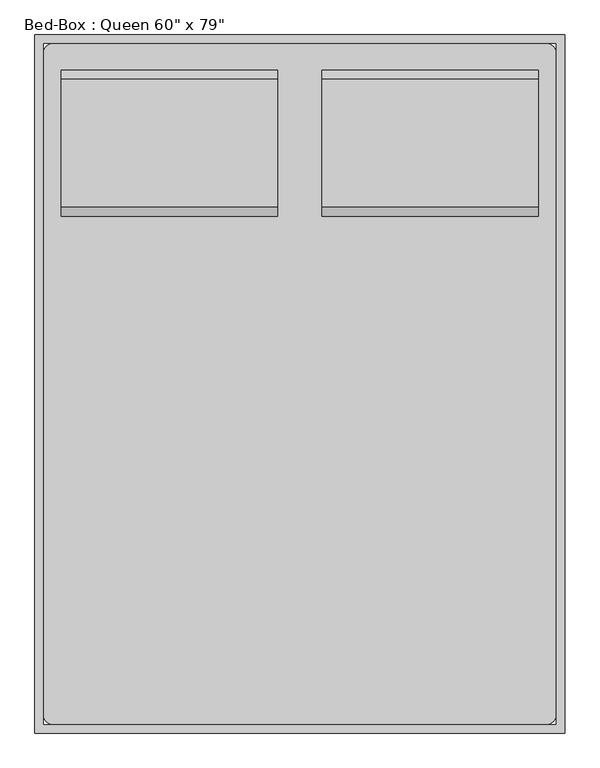
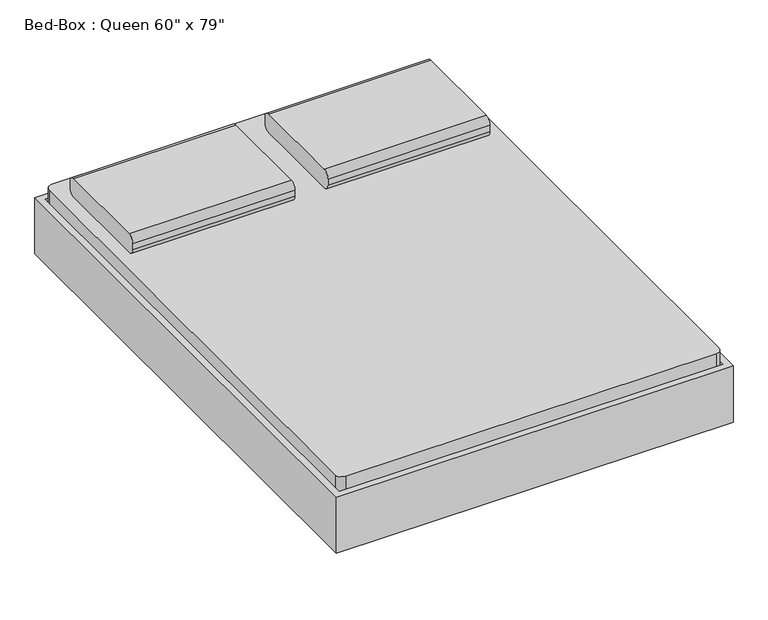
"""IFC4 building model written with IfcOpenShell, lengths in millimetres: furniture geometry."""

from ifc_helpers import new_model, si_unit, point, frame, frame_2d, origin, place, context, project, spatial, polyline, circle_curve, trimmed, segment, composite_curve, outline, extrude, source, transform, mapped, element, save
from ifc_brep_helpers import plane_surface, cylinder_surface, revolved_surface, advanced_brep


def furniture_1d2926bd(model_context):
    return source(origin(), model_context, "Body", "SolidModel", [
        extrude(outline(composite_curve([segment(polyline([(641.8704918, 406.4), (273.5704918, 406.4)]), True, "CONTINUOUS"), segment(trimmed(circle_curve(frame_2d((273.5704918, 431.8)), 25.4), [point((273.5704918, 406.4))], [point((248.1704918, 431.8))], False, "CARTESIAN"), True, "CONTINUOUS"), segment(polyline([(248.1704918, 431.8), (248.1704918, 457.2)]), True, "CONTINUOUS"), segment(trimmed(circle_curve(frame_2d((273.5704918, 457.2)), 25.4), [point((248.1704918, 457.2))], [point((273.5704918, 482.6))], False, "CARTESIAN"), True, "CONTINUOUS"), segment(polyline([(273.5704918, 482.6), (641.8704918, 482.6)]), True, "CONTINUOUS"), segment(trimmed(circle_curve(frame_2d((641.8704918, 457.2)), 25.4), [point((641.8704918, 482.6))], [point((667.2704918, 457.2))], False, "CARTESIAN"), True, "CONTINUOUS"), segment(polyline([(667.2704918, 457.2), (667.2704918, 431.8)]), True, "CONTINUOUS"), segment(trimmed(circle_curve(frame_2d((641.8704918, 431.8)), 25.4), [point((667.2704918, 431.8))], [point((641.8704918, 406.4))], False, "CARTESIAN"), True, "CONTINUOUS")], self_intersect=False)), frame((402.652459, 0.0, 0.0), z_axis=(1.0, 0.0, 0.0), x_axis=(0.0, 1.0, 0.0)), (0.0, 0.0, 1.0), 622.3),
        extrude(outline(composite_curve([segment(polyline([(641.8704918, 406.4), (273.5704918, 406.4)]), True, "CONTINUOUS"), segment(trimmed(circle_curve(frame_2d((273.5704918, 431.8)), 25.4), [point((273.5704918, 406.4))], [point((248.1704918, 431.8))], False, "CARTESIAN"), True, "CONTINUOUS"), segment(polyline([(248.1704918, 431.8), (248.1704918, 457.2)]), True, "CONTINUOUS"), segment(trimmed(circle_curve(frame_2d((273.5704918, 457.2)), 25.4), [point((248.1704918, 457.2))], [point((273.5704918, 482.6))], False, "CARTESIAN"), True, "CONTINUOUS"), segment(polyline([(273.5704918, 482.6), (641.8704918, 482.6)]), True, "CONTINUOUS"), segment(trimmed(circle_curve(frame_2d((641.8704918, 457.2)), 25.4), [point((641.8704918, 482.6))], [point((667.2704918, 457.2))], False, "CARTESIAN"), True, "CONTINUOUS"), segment(polyline([(667.2704918, 457.2), (667.2704918, 431.8)]), True, "CONTINUOUS"), segment(trimmed(circle_curve(frame_2d((641.8704918, 431.8)), 25.4), [point((667.2704918, 431.8))], [point((641.8704918, 406.4))], False, "CARTESIAN"), True, "CONTINUOUS")], self_intersect=False)), frame((-346.647541, 0.0, 0.0), z_axis=(1.0, 0.0, 0.0), x_axis=(0.0, 1.0, 0.0)), (0.0, 0.0, 1.0), 622.3),
        advanced_brep(
        [(-397.1231784, 514.8704918, 177.8), (-397.1231784, 438.6704918, 177.8), (-397.1231784, 438.6704918, 196.85), (-397.1231784, 514.8704918, 196.85), (-346.3231784, 514.8704918, 177.8), (-346.3231784, 438.6704918, 177.8), (-334.1869899, 438.6704918, 196.85), (-334.1869899, 514.8704918, 196.85), (-270.2523099, 514.8704918, 14.6654962), (-270.2523099, 438.6704918, 14.6654962), (-252.9871466, 438.6704918, 22.716374), (-252.9871466, 514.8704918, 22.716374), (-247.2320921, 438.6704918, 0.0), (-247.2320921, 514.8704918, 0.0), (-247.2320921, 438.6704918, 19.05), (-247.2320921, 514.8704918, 19.05), (-168.6195862, 514.8704918, 0.0), (-168.6195862, 438.6704918, 0.0), (-168.6195862, 438.6704918, 19.05), (-168.6195862, 514.8704918, 19.05), (-155.9195862, 438.6704918, 3.4029547), (-155.9195862, 514.8704918, 3.4029547), (-165.4445862, 438.6704918, 19.9007387), (-165.4445862, 514.8704918, 19.9007387), (-95.822541, 514.8704918, 38.1), (-95.822541, 438.6704918, 38.1), (-100.9269731, 438.6704918, 57.15), (-100.9269731, 514.8704918, 57.15), (774.4518216, 514.8704918, 38.1), (774.4518216, 438.6704918, 38.1), (779.5562537, 438.6704918, 57.15), (779.5562537, 514.8704918, 57.15), (834.5488669, 514.8704918, 3.4029547), (834.5488669, 438.6704918, 3.4029547), (844.0738669, 438.6704918, 19.9007387), (844.0738669, 514.8704918, 19.9007387), (847.2488669, 438.6704918, 0.0), (847.2488669, 514.8704918, 0.0), (847.2488669, 438.6704918, 19.05), (847.2488669, 514.8704918, 19.05), (925.8613728, 514.8704918, 0.0), (925.8613728, 438.6704918, 0.0), (925.8613728, 438.6704918, 19.05), (925.8613728, 514.8704918, 19.05), (948.8815906, 438.6704918, 14.6654962), (948.8815906, 514.8704918, 14.6654962), (931.6164272, 438.6704918, 22.716374), (931.6164272, 514.8704918, 22.716374), (1024.952459, 514.8704918, 177.8), (1024.952459, 438.6704918, 177.8), (1012.8162705, 438.6704918, 196.85), (1012.8162705, 514.8704918, 196.85), (1075.752459, 514.8704918, 177.8), (1075.752459, 514.8704918, 196.85), (1075.752459, 438.6704918, 196.85), (1075.752459, 438.6704918, 177.8)],
        [
            (0, 1),
            (1, 2),
            (2, 3),
            (3, 0),
            (0, 4),
            (4, 5),
            (5, 1),
            (5, 6),
            (6, 2),
            (6, 7),
            (7, 3),
            (7, 4),
            (4, 8),
            (8, 9),
            (9, 5),
            (9, 10),
            (10, 6),
            (10, 11),
            (11, 7),
            (11, 8),
            (12, 9, circle_curve(frame((-247.2320921, 438.6704918, 25.4), z_axis=(0.0, 1.0, 0.0), x_axis=(-0.9063077870366486, 0.0, -0.42261826174070233)), 25.4)),
            (8, 13, circle_curve(frame((-247.2320921, 514.8704918, 25.4), z_axis=(0.0, -1.0, 0.0), x_axis=(-0.9063077870366486, 0.0, -0.42261826174070233)), 25.4)),
            (13, 12),
            (14, 10, circle_curve(frame((-247.2320921, 438.6704918, 25.4), z_axis=(0.0, 1.0, 0.0), x_axis=(-0.9063077870366486, 0.0, -0.42261826174070233)), 6.35)),
            (12, 14),
            (15, 11, circle_curve(frame((-247.2320921, 514.8704918, 25.4), z_axis=(0.0, 1.0, 0.0), x_axis=(-0.9063077870366486, 0.0, -0.42261826174070233)), 6.35)),
            (14, 15),
            (15, 13),
            (13, 16),
            (16, 17),
            (17, 12),
            (17, 18),
            (18, 14),
            (18, 19),
            (19, 15),
            (19, 16),
            (20, 17, circle_curve(frame((-168.6195862, 438.6704918, 25.4), z_axis=(0.0, 1.0, 0.0), x_axis=(0.0, 0.0, -1.0)), 25.4)),
            (16, 21, circle_curve(frame((-168.6195862, 514.8704918, 25.4), z_axis=(0.0, -1.0, 0.0), x_axis=(0.0, 0.0, -1.0)), 25.4)),
            (21, 20),
            (22, 18, circle_curve(frame((-168.6195862, 438.6704918, 25.4), z_axis=(0.0, 1.0, 0.0), x_axis=(0.0, 0.0, -1.0)), 6.35)),
            (20, 22),
            (23, 19, circle_curve(frame((-168.6195862, 514.8704918, 25.4), z_axis=(0.0, 1.0, 0.0), x_axis=(0.0, 0.0, -1.0)), 6.35)),
            (22, 23),
            (23, 21),
            (21, 24),
            (24, 25),
            (25, 20),
            (25, 26),
            (26, 22),
            (26, 27),
            (27, 23),
            (27, 24),
            (24, 28),
            (28, 29),
            (29, 25),
            (29, 30),
            (30, 26),
            (30, 31),
            (31, 27),
            (31, 28),
            (28, 32),
            (32, 33),
            (33, 29),
            (33, 34),
            (34, 30),
            (34, 35),
            (35, 31),
            (35, 32),
            (36, 33, circle_curve(frame((847.2488669, 438.6704918, 25.4), z_axis=(0.0, 1.0, 0.0), x_axis=(-0.5000000000000463, 0.0, -0.8660254037844118)), 25.4)),
            (32, 37, circle_curve(frame((847.2488669, 514.8704918, 25.4), z_axis=(0.0, -1.0, 0.0), x_axis=(-0.5000000000000463, 0.0, -0.8660254037844118)), 25.4)),
            (37, 36),
            (38, 34, circle_curve(frame((847.2488669, 438.6704918, 25.4), z_axis=(0.0, 1.0, 0.0), x_axis=(-0.5000000000000463, 0.0, -0.8660254037844118)), 6.35)),
            (36, 38),
            (39, 35, circle_curve(frame((847.2488669, 514.8704918, 25.4), z_axis=(0.0, 1.0, 0.0), x_axis=(-0.5000000000000463, 0.0, -0.8660254037844118)), 6.35)),
            (38, 39),
            (39, 37),
            (37, 40),
            (40, 41),
            (41, 36),
            (41, 42),
            (42, 38),
            (42, 43),
            (43, 39),
            (43, 40),
            (44, 41, circle_curve(frame((925.8613728, 438.6704918, 25.4), z_axis=(0.0, 1.0, 0.0), x_axis=(0.0, 0.0, -1.0)), 25.4)),
            (40, 45, circle_curve(frame((925.8613728, 514.8704918, 25.4), z_axis=(0.0, -1.0, 0.0), x_axis=(0.0, 0.0, -1.0)), 25.4)),
            (45, 44),
            (46, 42, circle_curve(frame((925.8613728, 438.6704918, 25.4), z_axis=(0.0, 1.0, 0.0), x_axis=(0.0, 0.0, -1.0)), 6.35)),
            (44, 46),
            (47, 43, circle_curve(frame((925.8613728, 514.8704918, 25.4), z_axis=(0.0, 1.0, 0.0), x_axis=(0.0, 0.0, -1.0)), 6.35)),
            (46, 47),
            (47, 45),
            (45, 48),
            (48, 49),
            (49, 44),
            (49, 50),
            (50, 46),
            (50, 51),
            (51, 47),
            (51, 48),
            (52, 53),
            (53, 54),
            (54, 55),
            (55, 52),
            (48, 52),
            (55, 49),
            (54, 50),
            (53, 51),
        ],
        [
            plane_surface(frame((-397.1231784, 768.8704918, -152.9490627), z_axis=(-1.0, 0.0, 0.0), x_axis=(0.0, 1.0, 0.0))),
            plane_surface(frame((-397.1231784, 514.8704918, 177.8), z_axis=(0.0, 0.0, -1.0), x_axis=(1.0, 0.0, 0.0))),
            plane_surface(frame((-397.1231784, 438.6704918, 177.8), z_axis=(0.0, -1.0, 0.0), x_axis=(1.0, 0.0, 0.0))),
            plane_surface(frame((-397.1231784, 438.6704918, 196.85), z_axis=(0.0, 0.0, 1.0), x_axis=(1.0, 0.0, 0.0))),
            plane_surface(frame((-397.1231784, 514.8704918, 196.85), z_axis=(0.0, 1.0, 0.0), x_axis=(1.0, 0.0, 0.0))),
            plane_surface(frame((-346.3231784, 514.8704918, 177.8), z_axis=(-0.9063077870366485, 0.0, -0.4226182617407027), x_axis=(0.4226182617407027, 0.0, -0.9063077870366485))),
            plane_surface(frame((-346.3231784, 438.6704918, 177.8), z_axis=(0.0, -1.0, 0.0), x_axis=(0.4226182617407025, 0.0, -0.9063077870366486))),
            plane_surface(frame((-334.1869899, 438.6704918, 196.85), z_axis=(0.9063077870366484, 0.0, 0.4226182617407028), x_axis=(0.4226182617407028, 0.0, -0.9063077870366484))),
            plane_surface(frame((-334.1869899, 514.8704918, 196.85), z_axis=(0.0, 1.0, 0.0), x_axis=(0.42261826174070277, 0.0, -0.9063077870366485))),
            cylinder_surface(frame((-247.2320921, 768.8704918, 25.4), z_axis=(0.0, -1.0, 0.0), x_axis=(-0.9063077870366486, 0.0, -0.42261826174070233)), 25.4),
            plane_surface(frame((-247.2320921, 438.6704918, 25.4), z_axis=(0.0, -1.0, 0.0), x_axis=(-0.9063077870366486, 0.0, -0.42261826174070233))),
            revolved_surface(polyline([(-252.9871465476827, 438.6704918, 22.71637403794654), (-252.9871465476827, 514.8704918, 22.71637403794654)]), (-247.2320921, 768.8704918, 25.4), (0.0, -1.0, 0.0)),
            plane_surface(frame((-247.2320921, 514.8704918, 25.4), z_axis=(0.0, 1.0, 0.0), x_axis=(-0.9063077870366486, 0.0, -0.42261826174070233))),
            plane_surface(frame((-247.2320921, 514.8704918, 0.0), z_axis=(0.0, 0.0, -1.0), x_axis=(1.0, 0.0, 0.0))),
            plane_surface(frame((-247.2320921, 438.6704918, 0.0), z_axis=(0.0, -1.0, 0.0), x_axis=(1.0, 0.0, 0.0))),
            plane_surface(frame((-247.2320921, 438.6704918, 19.05), z_axis=(0.0, 0.0, 1.0), x_axis=(1.0, 0.0, 0.0))),
            plane_surface(frame((-247.2320921, 514.8704918, 19.05), z_axis=(0.0, 1.0, 0.0), x_axis=(1.0, 0.0, 0.0))),
            cylinder_surface(frame((-168.6195862, 768.8704918, 25.4), z_axis=(0.0, -1.0, 0.0), x_axis=(0.0, 0.0, -1.0)), 25.4),
            plane_surface(frame((-168.6195862, 438.6704918, 25.4), z_axis=(0.0, -1.0, 0.0), x_axis=(0.0, 0.0, -1.0))),
            revolved_surface(polyline([(-168.6195862, 438.6704918, 19.049999999999997), (-168.6195862, 514.8704918, 19.049999999999997)]), (-168.6195862, 768.8704918, 25.4), (0.0, -1.0, 0.0)),
            plane_surface(frame((-168.6195862, 514.8704918, 25.4), z_axis=(0.0, 1.0, 0.0), x_axis=(0.0, 0.0, -1.0))),
            plane_surface(frame((-155.9195862, 514.8704918, 3.4029547), z_axis=(0.49999999999988004, 0.0, -0.866025403784508), x_axis=(0.866025403784508, 0.0, 0.49999999999988004))),
            plane_surface(frame((-155.9195862, 438.6704918, 3.4029547), z_axis=(0.0, -1.0, 0.0), x_axis=(0.8660254037845078, 0.0, 0.49999999999988026))),
            plane_surface(frame((-165.4445862, 438.6704918, 19.9007387), z_axis=(-0.4999999999998799, 0.0, 0.866025403784508), x_axis=(0.866025403784508, 0.0, 0.4999999999998799))),
            plane_surface(frame((-165.4445862, 514.8704918, 19.9007387), z_axis=(0.0, 1.0, 0.0), x_axis=(0.8660254037845075, 0.0, 0.49999999999988076))),
            plane_surface(frame((-95.822541, 514.8704918, 38.1), z_axis=(0.0, 0.0, -1.0), x_axis=(1.0, 0.0, 0.0))),
            plane_surface(frame((-95.822541, 438.6704918, 38.1), z_axis=(0.0, -1.0, 0.0), x_axis=(1.0, 0.0, 0.0))),
            plane_surface(frame((-100.9269731, 438.6704918, 57.15), z_axis=(0.0, 0.0, 1.0), x_axis=(1.0, 0.0, 0.0))),
            plane_surface(frame((-100.9269731, 514.8704918, 57.15), z_axis=(0.0, 1.0, 0.0), x_axis=(1.0, 0.0, 0.0))),
            plane_surface(frame((774.4518216, 514.8704918, 38.1), z_axis=(-0.5000000000000455, 0.0, -0.8660254037844125), x_axis=(0.8660254037844125, 0.0, -0.5000000000000455))),
            plane_surface(frame((774.4518216, 438.6704918, 38.1), z_axis=(0.0, -1.0, 0.0), x_axis=(0.866025403784412, 0.0, -0.5000000000000463))),
            plane_surface(frame((779.5562537, 438.6704918, 57.15), z_axis=(0.5000000000000466, 0.0, 0.8660254037844117), x_axis=(0.8660254037844117, 0.0, -0.5000000000000466))),
            plane_surface(frame((779.5562537, 514.8704918, 57.15), z_axis=(0.0, 1.0, 0.0), x_axis=(0.8660254037844115, 0.0, -0.5000000000000471))),
            cylinder_surface(frame((847.2488669, 768.8704918, 25.4), z_axis=(0.0, -1.0, 0.0), x_axis=(-0.5000000000000463, 0.0, -0.8660254037844118)), 25.4),
            plane_surface(frame((847.2488669, 438.6704918, 25.4), z_axis=(0.0, -1.0000000000000002, 0.0), x_axis=(-0.5000000000000464, 0.0, -0.866025403784412))),
            revolved_surface(polyline([(844.0738668999998, 438.6704918, 19.90073868596898), (844.0738668999998, 514.8704918, 19.90073868596898)]), (847.2488669, 768.8704918, 25.4), (0.0, -1.0, 0.0)),
            plane_surface(frame((847.2488669, 514.8704918, 25.4), z_axis=(0.0, 1.0000000000000002, 0.0), x_axis=(-0.5000000000000464, 0.0, -0.866025403784412))),
            plane_surface(frame((847.2488669, 514.8704918, 0.0), z_axis=(0.0, 0.0, -1.0), x_axis=(1.0, 0.0, 0.0))),
            plane_surface(frame((847.2488669, 438.6704918, 0.0), z_axis=(0.0, -1.0, 0.0), x_axis=(1.0, 0.0, 0.0))),
            plane_surface(frame((847.2488669, 438.6704918, 19.05), z_axis=(0.0, 0.0, 1.0), x_axis=(1.0, 0.0, 0.0))),
            plane_surface(frame((847.2488669, 514.8704918, 19.05), z_axis=(0.0, 1.0, 0.0), x_axis=(1.0, 0.0, 0.0))),
            cylinder_surface(frame((925.8613728, 768.8704918, 25.4), z_axis=(0.0, -1.0, 0.0), x_axis=(0.0, 0.0, -1.0)), 25.4),
            plane_surface(frame((925.8613728, 438.6704918, 25.4), z_axis=(0.0, -1.0, 0.0), x_axis=(0.0, 0.0, -1.0))),
            revolved_surface(polyline([(925.8613728, 438.6704918, 19.049999999999997), (925.8613728, 514.8704918, 19.049999999999997)]), (925.8613728, 768.8704918, 25.4), (0.0, -1.0, 0.0)),
            plane_surface(frame((925.8613728, 514.8704918, 25.4), z_axis=(0.0, 1.0, 0.0), x_axis=(0.0, 0.0, -1.0))),
            plane_surface(frame((948.8815906, 514.8704918, 14.6654962), z_axis=(0.90630778703668, 0.0, -0.42261826174063505), x_axis=(0.42261826174063505, 0.0, 0.90630778703668))),
            plane_surface(frame((948.8815906, 438.6704918, 14.6654962), z_axis=(0.0, -1.0, 0.0), x_axis=(0.42261826174063566, 0.0, 0.9063077870366797))),
            plane_surface(frame((931.6164272, 438.6704918, 22.716374), z_axis=(-0.9063077870366801, 0.0, 0.42261826174063477), x_axis=(0.42261826174063477, 0.0, 0.9063077870366801))),
            plane_surface(frame((931.6164272, 514.8704918, 22.716374), z_axis=(0.0, 1.0, 0.0), x_axis=(0.4226182617406345, 0.0, 0.9063077870366802))),
            plane_surface(frame((1075.752459, 768.8704918, -152.9490627), z_axis=(1.0, 0.0, 0.0), x_axis=(0.0, 1.0, 0.0))),
            plane_surface(frame((1024.952459, 514.8704918, 177.8), z_axis=(0.0, 0.0, -1.0), x_axis=(1.0, 0.0, 0.0))),
            plane_surface(frame((1024.952459, 438.6704918, 177.8), z_axis=(0.0, -1.0, 0.0), x_axis=(1.0, 0.0, 0.0))),
            plane_surface(frame((1012.8162705, 438.6704918, 196.85), z_axis=(0.0, 0.0, 1.0), x_axis=(1.0, 0.0, 0.0))),
            plane_surface(frame((1012.8162705, 514.8704918, 196.85), z_axis=(0.0, 1.0, 0.0), x_axis=(1.0, 0.0, 0.0))),
        ],
        [
            (0, [[1, 2, 3, 4]]),
            (1, [[-1, 5, 6, 7]]),
            (2, [[-2, -7, 8, 9]]),
            (3, [[-3, -9, 10, 11]]),
            (4, [[-4, -11, 12, -5]]),
            (5, [[-6, 13, 14, 15]]),
            (6, [[-8, -15, 16, 17]]),
            (7, [[-10, -17, 18, 19]]),
            (8, [[-12, -19, 20, -13]]),
            (9, [[21, -14, 22, 23]]),
            (10, [[24, -16, -21, 25]]),
            (11, [[26, -18, -24, 27]]),
            (12, [[-22, -20, -26, 28]]),
            (13, [[-23, 29, 30, 31]]),
            (14, [[-25, -31, 32, 33]]),
            (15, [[-27, -33, 34, 35]]),
            (16, [[-28, -35, 36, -29]]),
            (17, [[37, -30, 38, 39]]),
            (18, [[40, -32, -37, 41]]),
            (19, [[42, -34, -40, 43]]),
            (20, [[-38, -36, -42, 44]]),
            (21, [[-39, 45, 46, 47]]),
            (22, [[-41, -47, 48, 49]]),
            (23, [[-43, -49, 50, 51]]),
            (24, [[-44, -51, 52, -45]]),
            (25, [[-46, 53, 54, 55]]),
            (26, [[-48, -55, 56, 57]]),
            (27, [[-50, -57, 58, 59]]),
            (28, [[-52, -59, 60, -53]]),
            (29, [[-54, 61, 62, 63]]),
            (30, [[-56, -63, 64, 65]]),
            (31, [[-58, -65, 66, 67]]),
            (32, [[-60, -67, 68, -61]]),
            (33, [[69, -62, 70, 71]]),
            (34, [[72, -64, -69, 73]]),
            (35, [[74, -66, -72, 75]]),
            (36, [[-70, -68, -74, 76]]),
            (37, [[-71, 77, 78, 79]]),
            (38, [[-73, -79, 80, 81]]),
            (39, [[-75, -81, 82, 83]]),
            (40, [[-76, -83, 84, -77]]),
            (41, [[85, -78, 86, 87]]),
            (42, [[88, -80, -85, 89]]),
            (43, [[90, -82, -88, 91]]),
            (44, [[-86, -84, -90, 92]]),
            (45, [[-87, 93, 94, 95]]),
            (46, [[-89, -95, 96, 97]]),
            (47, [[-91, -97, 98, 99]]),
            (48, [[-92, -99, 100, -93]]),
            (49, [[101, 102, 103, 104]]),
            (50, [[-94, 105, -104, 106]]),
            (51, [[-96, -106, -103, 107]]),
            (52, [[-98, -107, -102, 108]]),
            (53, [[-100, -108, -101, -105]]),
        ],
    ),
        extrude(outline(composite_curve([segment(polyline([(-372.047541, 743.4704918), (1050.352459, 743.4704918)]), True, "CONTINUOUS"), segment(trimmed(circle_curve(frame_2d((1050.352459, 718.0704918)), 25.4), [point((1050.352459, 743.4704918))], [point((1075.752459, 718.0704918))], False, "CARTESIAN"), True, "CONTINUOUS"), segment(polyline([(1075.752459, 718.0704918), (1075.752459, -1186.9295082)]), True, "CONTINUOUS"), segment(trimmed(circle_curve(frame_2d((1050.352459, -1186.9295082)), 25.4), [point((1075.752459, -1186.9295082))], [point((1050.352459, -1212.3295082))], False, "CARTESIAN"), True, "CONTINUOUS"), segment(polyline([(1050.352459, -1212.3295082), (-372.047541, -1212.3295082)]), True, "CONTINUOUS"), segment(trimmed(circle_curve(frame_2d((-372.047541, -1186.9295082)), 25.4), [point((-372.047541, -1212.3295082))], [point((-397.447541, -1186.9295082))], False, "CARTESIAN"), True, "CONTINUOUS"), segment(polyline([(-397.447541, -1186.9295082), (-397.447541, 718.0704918)]), True, "CONTINUOUS"), segment(trimmed(circle_curve(frame_2d((-372.047541, 718.0704918)), 25.4), [point((-397.447541, 718.0704918))], [point((-372.047541, 743.4704918))], False, "CARTESIAN"), True, "CONTINUOUS")], self_intersect=False)), frame((0.0, 0.0, 203.2), z_axis=(0.0, 0.0, 1.0), x_axis=(1.0, 0.0, 0.0)), (0.0, 0.0, 1.0), 203.2),
        advanced_brep(
        [(-397.447541, -932.9295082, 196.85), (-397.447541, -932.9295082, 177.8), (-397.447541, -1009.1295082, 177.8), (-397.447541, -1009.1295082, 196.85), (-334.5113525, -932.9295082, 196.85), (-346.647541, -932.9295082, 177.8), (-346.647541, -1009.1295082, 177.8), (-334.5113525, -1009.1295082, 196.85), (-253.3115092, -932.9295082, 22.716374), (-270.5766725, -932.9295082, 14.6654962), (-270.5766725, -1009.1295082, 14.6654962), (-253.3115092, -1009.1295082, 22.716374), (-247.5564547, -932.9295082, 0.0), (-247.5564547, -932.9295082, 19.05), (-247.5564547, -1009.1295082, 0.0), (-247.5564547, -1009.1295082, 19.05), (-168.9439489, -932.9295082, 19.05), (-168.9439489, -932.9295082, 0.0), (-168.9439489, -1009.1295082, 0.0), (-168.9439489, -1009.1295082, 19.05), (-156.2439489, -932.9295082, 3.4029547), (-165.7689489, -932.9295082, 19.9007387), (-156.2439489, -1009.1295082, 3.4029547), (-165.7689489, -1009.1295082, 19.9007387), (-101.2513357, -932.9295082, 57.15), (-96.1469036, -932.9295082, 38.1), (-96.1469036, -1009.1295082, 38.1), (-101.2513357, -1009.1295082, 57.15), (779.5562537, -932.9295082, 57.15), (774.4518216, -932.9295082, 38.1), (774.4518216, -1009.1295082, 38.1), (779.5562537, -1009.1295082, 57.15), (844.0738669, -932.9295082, 19.9007387), (834.5488669, -932.9295082, 3.4029547), (834.5488669, -1009.1295082, 3.4029547), (844.0738669, -1009.1295082, 19.9007387), (847.2488669, -932.9295082, 0.0), (847.2488669, -932.9295082, 19.05), (847.2488669, -1009.1295082, 0.0), (847.2488669, -1009.1295082, 19.05), (925.8613728, -932.9295082, 19.05), (925.8613728, -932.9295082, 0.0), (925.8613728, -1009.1295082, 0.0), (925.8613728, -1009.1295082, 19.05), (948.8815906, -932.9295082, 14.6654962), (931.6164272, -932.9295082, 22.716374), (948.8815906, -1009.1295082, 14.6654962), (931.6164272, -1009.1295082, 22.716374), (1012.8162705, -932.9295082, 196.85), (1024.952459, -932.9295082, 177.8), (1024.952459, -1009.1295082, 177.8), (1012.8162705, -1009.1295082, 196.85), (1075.752459, -932.9295082, 196.85), (1075.752459, -1009.1295082, 196.85), (1075.752459, -1009.1295082, 177.8), (1075.752459, -932.9295082, 177.8)],
        [
            (0, 1),
            (1, 2),
            (2, 3),
            (3, 0),
            (0, 4),
            (4, 5),
            (5, 1),
            (5, 6),
            (6, 2),
            (6, 7),
            (7, 3),
            (7, 4),
            (4, 8),
            (8, 9),
            (9, 5),
            (9, 10),
            (10, 6),
            (10, 11),
            (11, 7),
            (11, 8),
            (12, 9, circle_curve(frame((-247.5564547, -932.9295082, 25.4), z_axis=(0.0, 1.0, 0.0), x_axis=(-0.906307787036663, 0.0, -0.4226182617406713)), 25.4)),
            (8, 13, circle_curve(frame((-247.5564547, -932.9295082, 25.4), z_axis=(0.0, -1.0, 0.0), x_axis=(-0.906307787036663, 0.0, -0.4226182617406713)), 6.35)),
            (13, 12),
            (14, 10, circle_curve(frame((-247.5564547, -1009.1295082, 25.4), z_axis=(0.0, 1.0, 0.0), x_axis=(-0.906307787036663, 0.0, -0.4226182617406713)), 25.4)),
            (12, 14),
            (15, 11, circle_curve(frame((-247.5564547, -1009.1295082, 25.4), z_axis=(0.0, 1.0, 0.0), x_axis=(-0.906307787036663, 0.0, -0.4226182617406713)), 6.35)),
            (14, 15),
            (15, 13),
            (13, 16),
            (16, 17),
            (17, 12),
            (17, 18),
            (18, 14),
            (18, 19),
            (19, 15),
            (19, 16),
            (20, 17, circle_curve(frame((-168.9439489, -932.9295082, 25.4), z_axis=(0.0, 1.0, 0.0), x_axis=(0.0, 0.0, -1.0)), 25.4)),
            (16, 21, circle_curve(frame((-168.9439489, -932.9295082, 25.4), z_axis=(0.0, -1.0, 0.0), x_axis=(0.0, 0.0, -1.0)), 6.35)),
            (21, 20),
            (22, 18, circle_curve(frame((-168.9439489, -1009.1295082, 25.4), z_axis=(0.0, 1.0, 0.0), x_axis=(0.0, 0.0, -1.0)), 25.4)),
            (20, 22),
            (23, 19, circle_curve(frame((-168.9439489, -1009.1295082, 25.4), z_axis=(0.0, 1.0, 0.0), x_axis=(0.0, 0.0, -1.0)), 6.35)),
            (22, 23),
            (23, 21),
            (21, 24),
            (24, 25),
            (25, 20),
            (25, 26),
            (26, 22),
            (26, 27),
            (27, 23),
            (27, 24),
            (24, 28),
            (28, 29),
            (29, 25),
            (29, 30),
            (30, 26),
            (30, 31),
            (31, 27),
            (31, 28),
            (28, 32),
            (32, 33),
            (33, 29),
            (33, 34),
            (34, 30),
            (34, 35),
            (35, 31),
            (35, 32),
            (36, 33, circle_curve(frame((847.2488669, -932.9295082, 25.4), z_axis=(0.0, 1.0, 0.0), x_axis=(-0.5000000000000479, 0.0, -0.866025403784411)), 25.4)),
            (32, 37, circle_curve(frame((847.2488669, -932.9295082, 25.4), z_axis=(0.0, -1.0, 0.0), x_axis=(-0.5000000000000479, 0.0, -0.866025403784411)), 6.35)),
            (37, 36),
            (38, 34, circle_curve(frame((847.2488669, -1009.1295082, 25.4), z_axis=(0.0, 1.0, 0.0), x_axis=(-0.5000000000000479, 0.0, -0.866025403784411)), 25.4)),
            (36, 38),
            (39, 35, circle_curve(frame((847.2488669, -1009.1295082, 25.4), z_axis=(0.0, 1.0, 0.0), x_axis=(-0.5000000000000479, 0.0, -0.866025403784411)), 6.35)),
            (38, 39),
            (39, 37),
            (37, 40),
            (40, 41),
            (41, 36),
            (41, 42),
            (42, 38),
            (42, 43),
            (43, 39),
            (43, 40),
            (44, 41, circle_curve(frame((925.8613728, -932.9295082, 25.4), z_axis=(0.0, 1.0, 0.0), x_axis=(0.0, 0.0, -1.0)), 25.4)),
            (40, 45, circle_curve(frame((925.8613728, -932.9295082, 25.4), z_axis=(0.0, -1.0, 0.0), x_axis=(0.0, 0.0, -1.0)), 6.35)),
            (45, 44),
            (46, 42, circle_curve(frame((925.8613728, -1009.1295082, 25.4), z_axis=(0.0, 1.0, 0.0), x_axis=(0.0, 0.0, -1.0)), 25.4)),
            (44, 46),
            (47, 43, circle_curve(frame((925.8613728, -1009.1295082, 25.4), z_axis=(0.0, 1.0, 0.0), x_axis=(0.0, 0.0, -1.0)), 6.35)),
            (46, 47),
            (47, 45),
            (45, 48),
            (48, 49),
            (49, 44),
            (49, 50),
            (50, 46),
            (50, 51),
            (51, 47),
            (51, 48),
            (52, 53),
            (53, 54),
            (54, 55),
            (55, 52),
            (48, 52),
            (55, 49),
            (54, 50),
            (53, 51),
        ],
        [
            plane_surface(frame((-397.447541, -1237.7295082, -127.5947323), z_axis=(-1.0, 0.0, 0.0), x_axis=(0.0, 1.0, 0.0))),
            plane_surface(frame((-397.447541, -932.9295082, 196.85), z_axis=(0.0, 1.0, 0.0), x_axis=(1.0, 0.0, 0.0))),
            plane_surface(frame((-397.447541, -932.9295082, 177.8), z_axis=(0.0, 0.0, -1.0), x_axis=(1.0, 0.0, 0.0))),
            plane_surface(frame((-397.447541, -1009.1295082, 177.8), z_axis=(0.0, -1.0, 0.0), x_axis=(1.0, 0.0, 0.0))),
            plane_surface(frame((-397.447541, -1009.1295082, 196.85), z_axis=(0.0, 0.0, 1.0), x_axis=(1.0, 0.0, 0.0))),
            plane_surface(frame((-334.5113525, -932.9295082, 196.85), z_axis=(0.0, 1.0, 0.0), x_axis=(0.4226182617406707, 0.0, -0.9063077870366634))),
            plane_surface(frame((-346.647541, -932.9295082, 177.8), z_axis=(-0.9063077870366635, 0.0, -0.4226182617406707), x_axis=(0.4226182617406707, 0.0, -0.9063077870366635))),
            plane_surface(frame((-346.647541, -1009.1295082, 177.8), z_axis=(0.0, -1.0, 0.0), x_axis=(0.422618261740671, 0.0, -0.9063077870366633))),
            plane_surface(frame((-334.5113525, -1009.1295082, 196.85), z_axis=(0.9063077870366633, 0.0, 0.42261826174067113), x_axis=(0.42261826174067113, 0.0, -0.9063077870366633))),
            plane_surface(frame((-247.5564547, -932.9295082, 25.4), z_axis=(0.0, 1.0, 0.0), x_axis=(-0.906307787036663, 0.0, -0.4226182617406713))),
            cylinder_surface(frame((-247.5564547, -1237.7295082, 25.4), z_axis=(0.0, -1.0, 0.0), x_axis=(-0.906307787036663, 0.0, -0.4226182617406713)), 25.4),
            plane_surface(frame((-247.5564547, -1009.1295082, 25.4), z_axis=(0.0, -1.0, 0.0), x_axis=(-0.906307787036663, 0.0, -0.4226182617406713))),
            revolved_surface(polyline([(-253.3115091476828, -1009.1295082, 22.716374037946736), (-253.3115091476828, -932.9295082, 22.716374037946736)]), (-247.5564547, -1237.7295082, 25.4), (0.0, -1.0, 0.0)),
            plane_surface(frame((-247.5564547, -932.9295082, 19.05), z_axis=(0.0, 1.0, 0.0), x_axis=(1.0, 0.0, 0.0))),
            plane_surface(frame((-247.5564547, -932.9295082, 0.0), z_axis=(0.0, 0.0, -1.0), x_axis=(1.0, 0.0, 0.0))),
            plane_surface(frame((-247.5564547, -1009.1295082, 0.0), z_axis=(0.0, -1.0, 0.0), x_axis=(1.0, 0.0, 0.0))),
            plane_surface(frame((-247.5564547, -1009.1295082, 19.05), z_axis=(0.0, 0.0, 1.0), x_axis=(1.0, 0.0, 0.0))),
            plane_surface(frame((-168.9439489, -932.9295082, 25.4), z_axis=(0.0, 1.0, 0.0), x_axis=(0.0, 0.0, -1.0))),
            cylinder_surface(frame((-168.9439489, -1237.7295082, 25.4), z_axis=(0.0, -1.0, 0.0), x_axis=(0.0, 0.0, -1.0)), 25.4),
            plane_surface(frame((-168.9439489, -1009.1295082, 25.4), z_axis=(0.0, -1.0, 0.0), x_axis=(0.0, 0.0, -1.0))),
            revolved_surface(polyline([(-168.9439489, -1009.1295082, 19.049999999999997), (-168.9439489, -932.9295082, 19.049999999999997)]), (-168.9439489, -1237.7295082, 25.4), (0.0, -1.0, 0.0)),
            plane_surface(frame((-165.7689489, -932.9295082, 19.9007387), z_axis=(0.0, 1.0, 0.0), x_axis=(0.8660254037844788, 0.0, 0.4999999999999306))),
            plane_surface(frame((-156.2439489, -932.9295082, 3.4029547), z_axis=(0.49999999999993017, 0.0, -0.866025403784479), x_axis=(0.866025403784479, 0.0, 0.49999999999993017))),
            plane_surface(frame((-156.2439489, -1009.1295082, 3.4029547), z_axis=(0.0, -1.0, 0.0), x_axis=(0.8660254037844785, 0.0, 0.49999999999993106))),
            plane_surface(frame((-165.7689489, -1009.1295082, 19.9007387), z_axis=(-0.4999999999999309, 0.0, 0.8660254037844786), x_axis=(0.8660254037844786, 0.0, 0.4999999999999309))),
            plane_surface(frame((-101.2513357, -932.9295082, 57.15), z_axis=(0.0, 1.0, 0.0), x_axis=(1.0, 0.0, 0.0))),
            plane_surface(frame((-96.1469036, -932.9295082, 38.1), z_axis=(0.0, 0.0, -1.0), x_axis=(1.0, 0.0, 0.0))),
            plane_surface(frame((-96.1469036, -1009.1295082, 38.1), z_axis=(0.0, -1.0, 0.0), x_axis=(1.0, 0.0, 0.0))),
            plane_surface(frame((-101.2513357, -1009.1295082, 57.15), z_axis=(0.0, 0.0, 1.0), x_axis=(1.0, 0.0, 0.0))),
            plane_surface(frame((779.5562537, -932.9295082, 57.15), z_axis=(0.0, 1.0000000000000002, 0.0), x_axis=(0.8660254037844106, 0.0, -0.5000000000000487))),
            plane_surface(frame((774.4518216, -932.9295082, 38.1), z_axis=(-0.5000000000000477, 0.0, -0.8660254037844112), x_axis=(0.8660254037844112, 0.0, -0.5000000000000477))),
            plane_surface(frame((774.4518216, -1009.1295082, 38.1), z_axis=(0.0, -1.0000000000000002, 0.0), x_axis=(0.8660254037844105, 0.0, -0.500000000000049))),
            plane_surface(frame((779.5562537, -1009.1295082, 57.15), z_axis=(0.5000000000000498, 0.0, 0.8660254037844098), x_axis=(0.8660254037844098, 0.0, -0.5000000000000498))),
            plane_surface(frame((847.2488669, -932.9295082, 25.4), z_axis=(0.0, 1.0000000000000002, 0.0), x_axis=(-0.500000000000048, 0.0, -0.8660254037844111))),
            cylinder_surface(frame((847.2488669, -1237.7295082, 25.4), z_axis=(0.0, -1.0, 0.0), x_axis=(-0.5000000000000479, 0.0, -0.866025403784411)), 25.4),
            plane_surface(frame((847.2488669, -1009.1295082, 25.4), z_axis=(0.0, -1.0000000000000002, 0.0), x_axis=(-0.500000000000048, 0.0, -0.8660254037844111))),
            revolved_surface(polyline([(844.0738668999998, -1009.1295082, 19.90073868596899), (844.0738668999998, -932.9295082, 19.90073868596899)]), (847.2488669, -1237.7295082, 25.4), (0.0, -1.0, 0.0)),
            plane_surface(frame((847.2488669, -932.9295082, 19.05), z_axis=(0.0, 1.0, 0.0), x_axis=(1.0, 0.0, 0.0))),
            plane_surface(frame((847.2488669, -932.9295082, 0.0), z_axis=(0.0, 0.0, -1.0), x_axis=(1.0, 0.0, 0.0))),
            plane_surface(frame((847.2488669, -1009.1295082, 0.0), z_axis=(0.0, -1.0, 0.0), x_axis=(1.0, 0.0, 0.0))),
            plane_surface(frame((847.2488669, -1009.1295082, 19.05), z_axis=(0.0, 0.0, 1.0), x_axis=(1.0, 0.0, 0.0))),
            plane_surface(frame((925.8613728, -932.9295082, 25.4), z_axis=(0.0, 1.0, 0.0), x_axis=(0.0, 0.0, -1.0))),
            cylinder_surface(frame((925.8613728, -1237.7295082, 25.4), z_axis=(0.0, -1.0, 0.0), x_axis=(0.0, 0.0, -1.0)), 25.4),
            plane_surface(frame((925.8613728, -1009.1295082, 25.4), z_axis=(0.0, -1.0, 0.0), x_axis=(0.0, 0.0, -1.0))),
            revolved_surface(polyline([(925.8613728, -1009.1295082, 19.049999999999997), (925.8613728, -932.9295082, 19.049999999999997)]), (925.8613728, -1237.7295082, 25.4), (0.0, -1.0, 0.0)),
            plane_surface(frame((931.6164272, -932.9295082, 22.716374), z_axis=(0.0, 1.0, 0.0), x_axis=(0.4226182617405411, 0.0, 0.9063077870367238))),
            plane_surface(frame((948.8815906, -932.9295082, 14.6654962), z_axis=(0.9063077870367237, 0.0, -0.4226182617405414), x_axis=(0.4226182617405414, 0.0, 0.9063077870367237))),
            plane_surface(frame((948.8815906, -1009.1295082, 14.6654962), z_axis=(0.0, -1.0, 0.0), x_axis=(0.42261826174054123, 0.0, 0.9063077870367238))),
            plane_surface(frame((931.6164272, -1009.1295082, 22.716374), z_axis=(-0.9063077870367237, 0.0, 0.4226182617405414), x_axis=(0.4226182617405414, 0.0, 0.9063077870367237))),
            plane_surface(frame((1075.752459, -1237.7295082, -127.5947323), z_axis=(1.0, 0.0, 0.0), x_axis=(0.0, 1.0, 0.0))),
            plane_surface(frame((1012.8162705, -932.9295082, 196.85), z_axis=(0.0, 1.0, 0.0), x_axis=(1.0, 0.0, 0.0))),
            plane_surface(frame((1024.952459, -932.9295082, 177.8), z_axis=(0.0, 0.0, -1.0), x_axis=(1.0, 0.0, 0.0))),
            plane_surface(frame((1024.952459, -1009.1295082, 177.8), z_axis=(0.0, -1.0, 0.0), x_axis=(1.0, 0.0, 0.0))),
            plane_surface(frame((1012.8162705, -1009.1295082, 196.85), z_axis=(0.0, 0.0, 1.0), x_axis=(1.0, 0.0, 0.0))),
        ],
        [
            (0, [[1, 2, 3, 4]]),
            (1, [[-1, 5, 6, 7]]),
            (2, [[-2, -7, 8, 9]]),
            (3, [[-3, -9, 10, 11]]),
            (4, [[-4, -11, 12, -5]]),
            (5, [[-6, 13, 14, 15]]),
            (6, [[-8, -15, 16, 17]]),
            (7, [[-10, -17, 18, 19]]),
            (8, [[-12, -19, 20, -13]]),
            (9, [[21, -14, 22, 23]]),
            (10, [[24, -16, -21, 25]]),
            (11, [[26, -18, -24, 27]]),
            (12, [[-22, -20, -26, 28]]),
            (13, [[-23, 29, 30, 31]]),
            (14, [[-25, -31, 32, 33]]),
            (15, [[-27, -33, 34, 35]]),
            (16, [[-28, -35, 36, -29]]),
            (17, [[37, -30, 38, 39]]),
            (18, [[40, -32, -37, 41]]),
            (19, [[42, -34, -40, 43]]),
            (20, [[-38, -36, -42, 44]]),
            (21, [[-39, 45, 46, 47]]),
            (22, [[-41, -47, 48, 49]]),
            (23, [[-43, -49, 50, 51]]),
            (24, [[-44, -51, 52, -45]]),
            (25, [[-46, 53, 54, 55]]),
            (26, [[-48, -55, 56, 57]]),
            (27, [[-50, -57, 58, 59]]),
            (28, [[-52, -59, 60, -53]]),
            (29, [[-54, 61, 62, 63]]),
            (30, [[-56, -63, 64, 65]]),
            (31, [[-58, -65, 66, 67]]),
            (32, [[-60, -67, 68, -61]]),
            (33, [[69, -62, 70, 71]]),
            (34, [[72, -64, -69, 73]]),
            (35, [[74, -66, -72, 75]]),
            (36, [[-70, -68, -74, 76]]),
            (37, [[-71, 77, 78, 79]]),
            (38, [[-73, -79, 80, 81]]),
            (39, [[-75, -81, 82, 83]]),
            (40, [[-76, -83, 84, -77]]),
            (41, [[85, -78, 86, 87]]),
            (42, [[88, -80, -85, 89]]),
            (43, [[90, -82, -88, 91]]),
            (44, [[-86, -84, -90, 92]]),
            (45, [[-87, 93, 94, 95]]),
            (46, [[-89, -95, 96, 97]]),
            (47, [[-91, -97, 98, 99]]),
            (48, [[-92, -99, 100, -93]]),
            (49, [[101, 102, 103, 104]]),
            (50, [[-94, 105, -104, 106]]),
            (51, [[-96, -106, -103, 107]]),
            (52, [[-98, -107, -102, 108]]),
            (53, [[-100, -108, -101, -105]]),
        ],
    ),
        extrude(outline(polyline([(1101.152459, 768.8704918), (1101.152459, -1237.7295082), (-422.847541, -1237.7295082), (-422.847541, 768.8704918), (1101.152459, 768.8704918)]), holes=[polyline([(1075.752459, 743.4704918), (-397.447541, 743.4704918), (-397.447541, -1212.3295082), (1075.752459, -1212.3295082), (1075.752459, 743.4704918)])]), frame((0.0, 0.0, 127.0), z_axis=(0.0, 0.0, 1.0), x_axis=(1.0, 0.0, 0.0)), (0.0, 0.0, 1.0), 228.6),
    ])


if __name__ == "__main__":
    model = new_model("IFC4")
    model_context = context("Model", 3, world=origin())
    ifc_project = project(units=[si_unit("LENGTHUNIT", "METRE", prefix="MILLI")], contexts=[model_context])
    site = spatial("IfcSite", under=ifc_project)
    building = spatial("IfcBuilding", under=site)
    placement = place(None, origin())
    furniture_shape = furniture_1d2926bd(model_context)
    element("IfcFurniture", 1, ObjectType="Bed-Box : Queen 60\" x 79\"", at=placement, inside=building, context=model_context, shape_type="MappedRepresentation", body=[
        mapped(furniture_shape, transform((0.0, 0.0, 0.0), x_axis=(1.0, 0.0, 0.0), y_axis=(0.0, 1.0, 0.0), z_axis=(0.0, 0.0, 1.0))),
    ])
    save(model, "model.ifc")
